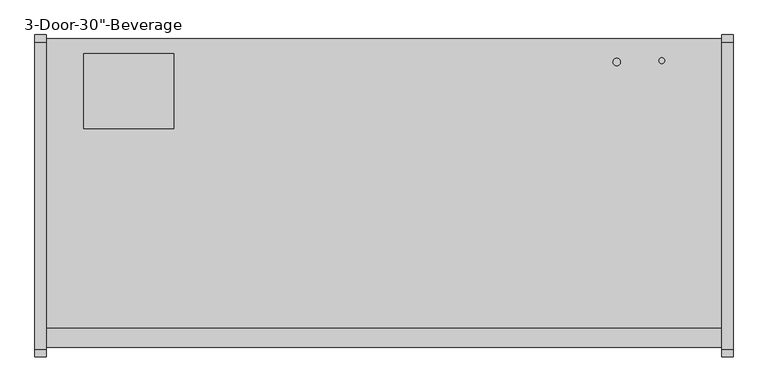
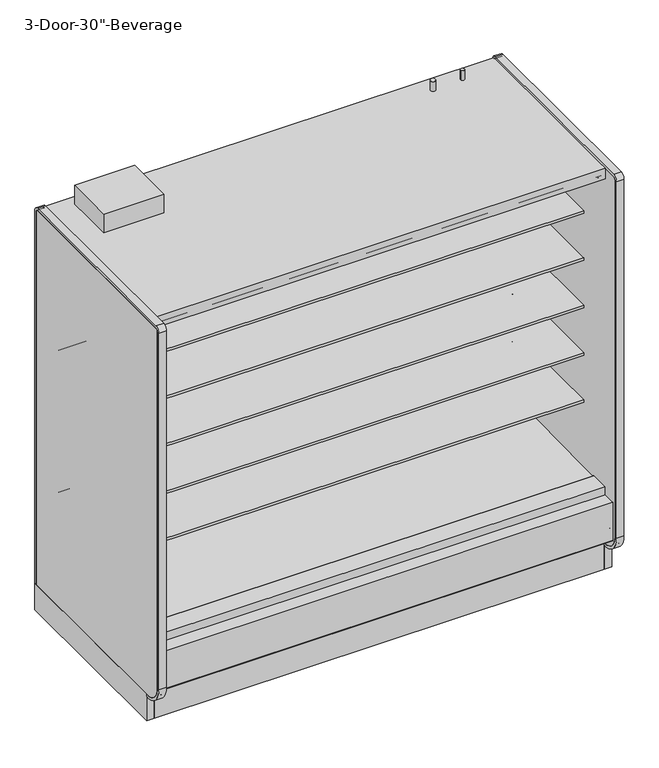
"""IFC4 building model written with IfcOpenShell, lengths in millimetres: proxy geometry."""

from ifc_helpers import new_model, si_unit, point, frame, frame_2d, origin, origin_with_axes, place, context, project, spatial, polyline, circle_curve, trimmed, segment, composite_curve, outline, extrude, source, transform, mapped, element, save
from ifc_brep_helpers import plane_surface, cylinder_surface, revolved_surface, advanced_brep


def proxy_6446f432(model_context):
    return source(origin(), model_context, "Body", "SolidModel", [
        extrude(outline(polyline([(-1318.106026, 207.2507391), (-1305.4059832, 196.5941379), (-1305.4059832, 0.4239338), (-1318.106026, 0.4239338), (-1318.106026, 207.2507391)])), frame((0.0, 0.0, 0.0), z_axis=(1.0, 0.0, 0.0), x_axis=(0.0, 1.0, 0.0)), (0.0, 0.0, 1.0), 2286.0),
        extrude(outline(polyline([(0.0, -76.2), (0.0, 0.0), (304.8, 0.0), (304.8, -76.2), (0.0, -76.2)])), frame((304.8, -1257.8018226, 2069.9402149), z_axis=(0.0, 0.07985742909739812, 0.9968062956351922), x_axis=(-1.0, 0.0, 0.0)), (0.0, 0.0, 1.0), 12.7),
        extrude(outline(composite_curve([segment(polyline([(-1139.652044, 788.1304004), (-1139.652044, 801.6241504), (-453.852044, 801.6241504), (-453.852044, 700.8188557), (-465.2157046, 700.5975577)]), True, "CONTINUOUS"), segment(trimmed(circle_curve(frame_2d((-465.7036503, 725.6535856)), 25.0607786), [point((-465.2157046, 700.5975577))], [point((-481.6109729, 706.2886764))], False, "CARTESIAN"), True, "CONTINUOUS"), segment(polyline([(-481.6109729, 706.2886764), (-519.8326735, 737.3719449)]), True, "CONTINUOUS"), segment(trimmed(circle_curve(frame_2d((-559.8971466, 688.1064601)), 63.5), [point((-519.8326735, 737.3719449))], [point((-553.0441372, 751.2355839))], True, "CARTESIAN"), True, "CONTINUOUS"), segment(polyline([(-553.0441372, 751.2355839), (-968.6518104, 783.846074), (-968.6518104, 788.1304004), (-1139.652044, 788.1304004)]), True, "CONTINUOUS")], self_intersect=False)), frame((0.0, 0.0, 0.0), z_axis=(1.0, 0.0, 0.0), x_axis=(0.0, 1.0, 0.0)), (0.0, 0.0, 1.0), 2286.0),
        extrude(outline(composite_curve([segment(polyline([(-1139.652044, 1042.1304004), (-1139.652044, 1055.6241504), (-453.852044, 1055.6241504), (-453.852044, 954.8188557), (-465.2157046, 954.5975577)]), True, "CONTINUOUS"), segment(trimmed(circle_curve(frame_2d((-465.7036503, 979.6535856)), 25.0607786), [point((-465.2157046, 954.5975577))], [point((-481.6109729, 960.2886764))], False, "CARTESIAN"), True, "CONTINUOUS"), segment(polyline([(-481.6109729, 960.2886764), (-519.8326735, 991.3719449)]), True, "CONTINUOUS"), segment(trimmed(circle_curve(frame_2d((-559.8971466, 942.1064601)), 63.5), [point((-519.8326735, 991.3719449))], [point((-553.0441372, 1005.2355839))], True, "CARTESIAN"), True, "CONTINUOUS"), segment(polyline([(-553.0441372, 1005.2355839), (-968.6518104, 1037.846074), (-968.6518104, 1042.1304004), (-1139.652044, 1042.1304004)]), True, "CONTINUOUS")], self_intersect=False)), frame((0.0, 0.0, 0.0), z_axis=(1.0, 0.0, 0.0), x_axis=(0.0, 1.0, 0.0)), (0.0, 0.0, 1.0), 2286.0),
        extrude(outline(composite_curve([segment(polyline([(-1139.652044, 1296.1304004), (-1139.652044, 1309.6241504), (-453.852044, 1309.6241504), (-453.852044, 1208.8188557), (-465.2157046, 1208.5975577)]), True, "CONTINUOUS"), segment(trimmed(circle_curve(frame_2d((-465.7036503, 1233.6535856)), 25.0607786), [point((-465.2157046, 1208.5975577))], [point((-481.6109729, 1214.2886764))], False, "CARTESIAN"), True, "CONTINUOUS"), segment(polyline([(-481.6109729, 1214.2886764), (-519.8326735, 1245.3719449)]), True, "CONTINUOUS"), segment(trimmed(circle_curve(frame_2d((-559.8971466, 1196.1064601)), 63.5), [point((-519.8326735, 1245.3719449))], [point((-553.0441372, 1259.2355839))], True, "CARTESIAN"), True, "CONTINUOUS"), segment(polyline([(-553.0441372, 1259.2355839), (-968.6518104, 1291.846074), (-968.6518104, 1296.1304004), (-1139.652044, 1296.1304004)]), True, "CONTINUOUS")], self_intersect=False)), frame((0.0, 0.0, 0.0), z_axis=(1.0, 0.0, 0.0), x_axis=(0.0, 1.0, 0.0)), (0.0, 0.0, 1.0), 2286.0),
        extrude(outline(composite_curve([segment(polyline([(-1139.652044, 1550.1304004), (-1139.652044, 1563.6241504), (-453.852044, 1563.6241504), (-453.852044, 1462.8188557), (-465.2157046, 1462.5975577)]), True, "CONTINUOUS"), segment(trimmed(circle_curve(frame_2d((-465.7036503, 1487.6535856)), 25.0607786), [point((-465.2157046, 1462.5975577))], [point((-481.6109729, 1468.2886764))], False, "CARTESIAN"), True, "CONTINUOUS"), segment(polyline([(-481.6109729, 1468.2886764), (-519.8326735, 1499.3719449)]), True, "CONTINUOUS"), segment(trimmed(circle_curve(frame_2d((-559.8971466, 1450.1064601)), 63.5), [point((-519.8326735, 1499.3719449))], [point((-553.0441372, 1513.2355839))], True, "CARTESIAN"), True, "CONTINUOUS"), segment(polyline([(-553.0441372, 1513.2355839), (-968.6518104, 1545.846074), (-968.6518104, 1550.1304004), (-1139.652044, 1550.1304004)]), True, "CONTINUOUS")], self_intersect=False)), frame((0.0, 0.0, 0.0), z_axis=(1.0, 0.0, 0.0), x_axis=(0.0, 1.0, 0.0)), (0.0, 0.0, 1.0), 2286.0),
        extrude(outline(composite_curve([segment(polyline([(-1179.8089716, 2076.7249354), (-1179.8089716, 2078.925392), (-1258.0451873, 2084.3962012), (-1258.0451873, 2075.9223079)]), True, "CONTINUOUS"), segment(trimmed(circle_curve(frame_2d((-1260.5851873, 2075.9223079)), 2.54), [point((-1258.0451873, 2075.9223079))], [point((-1260.5851873, 2073.3823079))], False, "CARTESIAN"), True, "CONTINUOUS"), segment(polyline([(-1260.5851873, 2073.3823079), (-1269.8053873, 2073.3823079)]), True, "CONTINUOUS"), segment(trimmed(circle_curve(frame_2d((-1269.8053873, 2075.9223079)), 2.54), [point((-1269.8053873, 2073.3823079))], [point((-1272.3453873, 2075.9223079))], False, "CARTESIAN"), True, "CONTINUOUS"), segment(polyline([(-1272.3453873, 2075.9223079), (-1272.3453873, 2092.9469554)]), True, "CONTINUOUS"), segment(trimmed(circle_curve(frame_2d((-1274.8853873, 2092.9469554)), 2.54), [point((-1272.3453873, 2092.9469554))], [point((-1274.8853873, 2095.4869554))], True, "CARTESIAN"), True, "CONTINUOUS"), segment(polyline([(-1274.8853873, 2095.4869554), (-1288.8553873, 2095.4869554)]), True, "CONTINUOUS"), segment(trimmed(circle_curve(frame_2d((-1288.8553873, 2098.0269554)), 2.54), [point((-1288.8553873, 2095.4869554))], [point((-1291.3953873, 2098.0269554))], False, "CARTESIAN"), True, "CONTINUOUS"), segment(polyline([(-1291.3953873, 2098.0269554), (-1291.3953873, 2102.7701079), (-402.3474764, 2102.7701079), (-402.3474764, 418.2554484), (-453.852044, 418.2554484), (-453.852044, 2076.7249354), (-1179.8089716, 2076.7249354)]), True, "CONTINUOUS")], self_intersect=False)), frame((0.0, 0.0, 0.0), z_axis=(1.0, 0.0, 0.0), x_axis=(0.0, 1.0, 0.0)), (0.0, 0.0, 1.0), 2286.0),
        advanced_brep(
        [(2286.0, -1318.106026, 204.9450868), (2286.0, -1318.106026, 0.0), (2286.0, -1156.1809832, 0.0), (2286.0, -1156.1809832, 130.5306), (2286.0, -1226.6745247, 130.5306), (2286.0, -1377.1737273, 256.8144254), (2286.0, -1377.1737273, 391.9982), (2286.0, -1326.8776974, 391.9982), (2286.0, -1326.8776974, 404.6728), (2286.0, -1393.9631273, 404.6728), (2286.0, -1393.9631273, 201.3982889), (2286.0, -1384.4389382, 195.8985595), (2286.0, -1339.6997646, 221.7199387), (0.0, -1318.106026, 204.9450868), (0.0, -1339.6997646, 221.7199387), (0.0, -1384.4389382, 195.8985595), (0.0, -1393.9631273, 201.3982889), (0.0, -1393.9631273, 404.6728), (0.0, -1326.8776974, 404.6728), (0.0, -1326.8776974, 391.9982), (0.0, -1377.1737273, 391.9982), (0.0, -1377.1737273, 256.8144254), (0.0, -1226.6745247, 130.5306), (0.0, -1156.1809832, 130.5306), (0.0, -1156.1809832, 0.0), (0.0, -1318.106026, 0.0), (677.9753763, -1301.1164467, 0.0), (677.9753763, -1203.5310315, 0.0), (363.1798722, -1203.5310315, 0.0), (363.1798722, -1301.1164467, 0.0), (677.9753763, -1301.1164467, 50.8), (677.9753763, -1203.5310315, 50.8), (363.1798722, -1203.5310315, 50.8), (363.1798722, -1301.1164467, 50.8)],
        [
            (0, 1),
            (1, 2),
            (2, 3),
            (3, 4),
            (4, 5),
            (5, 6),
            (6, 7),
            (7, 8),
            (8, 9),
            (9, 10),
            (10, 11, circle_curve(frame((2286.0, -1387.6131273, 201.3982889), z_axis=(1.0, 0.0, 0.0), x_axis=(0.0, 1.0, 0.0)), 6.35)),
            (11, 12),
            (12, 0),
            (13, 14),
            (14, 15),
            (15, 16, circle_curve(frame((0.0, -1387.6131273, 201.3982889), z_axis=(-1.0, 0.0, 0.0), x_axis=(0.0, 1.0, 0.0)), 6.35)),
            (16, 17),
            (17, 18),
            (18, 19),
            (19, 20),
            (20, 21),
            (21, 22),
            (22, 23),
            (23, 24),
            (24, 25),
            (25, 13),
            (0, 13),
            (25, 1),
            (24, 2),
            (26, 27),
            (27, 28),
            (28, 29),
            (29, 26),
            (23, 3),
            (22, 4),
            (21, 5),
            (20, 6),
            (19, 7),
            (18, 8),
            (17, 9),
            (16, 10),
            (15, 11),
            (14, 12),
            (26, 30),
            (30, 31),
            (31, 27),
            (28, 32),
            (32, 33),
            (33, 29),
            (31, 32),
            (30, 33),
        ],
        [
            plane_surface(frame((2286.0, -1318.106026, 0.0), z_axis=(1.0, 0.0, 0.0), x_axis=(0.0, 0.0, -1.0))),
            plane_surface(frame((0.0, -1318.106026, 0.0), z_axis=(-1.0, 0.0, 0.0), x_axis=(0.0, 0.0, 1.0))),
            plane_surface(frame((2286.0, -1318.106026, 204.9450868), z_axis=(0.0, -1.0, 0.0), x_axis=(-1.0, 0.0, 0.0))),
            plane_surface(frame((2286.0, -1318.106026, 0.0), z_axis=(0.0, 0.0, -1.0), x_axis=(-1.0, 0.0, 0.0))),
            plane_surface(frame((2286.0, -1156.1809832, 0.0), z_axis=(0.0, 1.0, 0.0), x_axis=(-1.0, 0.0, 0.0))),
            plane_surface(frame((2286.0, -1156.1809832, 130.5306), z_axis=(0.0, 0.0, 1.0), x_axis=(-1.0, 0.0, 0.0))),
            plane_surface(frame((2286.0, -1226.6745247, 130.5306), z_axis=(0.0, 0.6427876096877188, 0.7660444431179884), x_axis=(-1.0, 0.0, 0.0))),
            plane_surface(frame((2286.0, -1377.1737273, 256.8144254), z_axis=(0.0, 1.0, 0.0), x_axis=(-1.0, 0.0, 0.0))),
            plane_surface(frame((2286.0, -1377.1737273, 391.9982), z_axis=(0.0, 0.0, -1.0), x_axis=(-1.0, 0.0, 0.0))),
            plane_surface(frame((2286.0, -1326.8776974, 391.9982), z_axis=(0.0, 1.0, 0.0), x_axis=(-1.0, 0.0, 0.0))),
            plane_surface(frame((2286.0, -1326.8776974, 404.6728), z_axis=(0.0, 0.0, 1.0), x_axis=(-1.0, 0.0, 0.0))),
            plane_surface(frame((2286.0, -1393.9631273, 404.6728), z_axis=(0.0, -1.0, 0.0), x_axis=(-1.0, 0.0, 0.0))),
            cylinder_surface(frame((0.0, -1387.6131273, 201.3982889), z_axis=(1.0, 0.0, 0.0), x_axis=(0.0, 1.0, 0.0)), 6.35),
            plane_surface(frame((2286.0, -1384.4389382, 195.8985595), z_axis=(0.0, 0.4998723022013517, -0.8660991175910068), x_axis=(-1.0, 0.0, 0.0))),
            plane_surface(frame((2286.0, -1339.6997646, 221.7199387), z_axis=(0.0, -0.6134784338805639, -0.7897114733644501), x_axis=(-1.0, 0.0, 0.0))),
            plane_surface(frame((677.9753763, -1207.3278954, 0.0), z_axis=(-1.0, 0.0, 0.0), x_axis=(0.0, 1.0, 0.0))),
            plane_surface(frame((363.1798722, -1207.3278954, 0.0), z_axis=(1.0, 0.0, 0.0), x_axis=(0.0, -1.0, 0.0))),
            plane_surface(frame((677.9753763, -1203.5310315, 0.0), z_axis=(0.0, -1.0, 0.0), x_axis=(-1.0, 0.0, 0.0))),
            plane_surface(frame((677.9753763, -1203.5310315, 50.8), z_axis=(0.0, 0.0, -1.0), x_axis=(-1.0, 0.0, 0.0))),
            plane_surface(frame((677.9753763, -1301.1164467, 50.8), z_axis=(0.0, 1.0, 0.0), x_axis=(-1.0, 0.0, 0.0))),
        ],
        [
            (0, [[1, 2, 3, 4, 5, 6, 7, 8, 9, 10, 11, 12, 13]]),
            (1, [[14, 15, 16, 17, 18, 19, 20, 21, 22, 23, 24, 25, 26]]),
            (2, [[-1, 27, -26, 28]]),
            (3, [[-2, -28, -25, 29], [30, 31, 32, 33]]),
            (4, [[-3, -29, -24, 34]]),
            (5, [[-4, -34, -23, 35]]),
            (6, [[-5, -35, -22, 36]]),
            (7, [[-6, -36, -21, 37]]),
            (8, [[-7, -37, -20, 38]]),
            (9, [[-8, -38, -19, 39]]),
            (10, [[-9, -39, -18, 40]]),
            (11, [[-10, -40, -17, 41]]),
            (12, [[-11, -41, -16, 42]]),
            (13, [[-12, -42, -15, 43]]),
            (14, [[-13, -43, -14, -27]]),
            (15, [[44, 45, 46, -30]]),
            (16, [[47, 48, 49, -32]]),
            (17, [[-46, 50, -47, -31]]),
            (18, [[-45, 51, -48, -50]]),
            (19, [[-44, -33, -49, -51]]),
        ],
    ),
        extrude(outline(composite_curve([segment(trimmed(circle_curve(frame_2d((354.0125, 2209.8)), 12.7), [point((341.3125, 2209.8))], [point((366.7125, 2209.8))], False, "CARTESIAN"), True, "CONTINUOUS"), segment(trimmed(circle_curve(frame_2d((354.0125, 2209.8)), 12.7), [point((366.7125, 2209.8))], [point((341.3125, 2209.8))], False, "CARTESIAN"), True, "CONTINUOUS")], self_intersect=False)), frame((0.0, -399.8071273, 0.0), z_axis=(0.0, 1.0, 0.0), x_axis=(0.0, 0.0, 1.0)), (0.0, 0.0, 1.0), 50.8),
        extrude(outline(composite_curve([segment(trimmed(circle_curve(frame_2d((354.0125, 2159.0)), 9.525), [point((344.4875, 2159.0))], [point((363.5375, 2159.0))], False, "CARTESIAN"), True, "CONTINUOUS"), segment(trimmed(circle_curve(frame_2d((354.0125, 2159.0)), 9.525), [point((363.5375, 2159.0))], [point((344.4875, 2159.0))], False, "CARTESIAN"), True, "CONTINUOUS")], self_intersect=False)), frame((0.0, -399.8071273, 0.0), z_axis=(0.0, 1.0, 0.0), x_axis=(0.0, 0.0, 1.0)), (0.0, 0.0, 1.0), 50.8),
        advanced_brep(
        [(2286.0, -349.0071273, 130.5306), (2286.0, -349.0071273, 2159.0692079), (2286.0, -1328.759197, 2159.0692079), (2286.0, -1328.759197, 2102.7701079), (2286.0, -402.3474764, 2102.7701079), (2286.0, -402.3474764, 358.6596808), (2286.0, -549.3331942, 211.7249958), (2286.0, -991.2928374, 196.2548056), (2286.0, -1033.515372, 165.5831237), (2286.0, -1035.4689267, 165.5149041), (2286.0, -1048.6488905, 157.9054484), (2286.0, -1108.9738905, 157.9054484), (2286.0, -1117.2097949, 162.6604501), (2286.0, -1119.3438463, 162.5859274), (2286.0, -1169.010644, 190.034038), (2286.0, -1325.2901974, 342.4428), (2286.0, -1325.2901974, 391.9982), (2286.0, -1377.1737273, 391.9982), (2286.0, -1377.1737273, 256.8144254), (2286.0, -1226.6745247, 130.5306), (0.0, -349.0071273, 130.5306), (0.0, -1226.6745247, 130.5306), (0.0, -1377.1737273, 256.8144254), (0.0, -1377.1737273, 391.9982), (0.0, -1325.2901974, 391.9982), (0.0, -1325.2901974, 342.4428), (0.0, -1169.010644, 190.034038), (0.0, -1119.3438463, 162.5859274), (0.0, -1117.2097949, 162.6604501), (0.0, -1108.9738905, 157.9054484), (0.0, -1048.6488905, 157.9054484), (0.0, -1035.4689267, 165.5149041), (0.0, -1033.515372, 165.5831237), (0.0, -991.2928374, 196.2548056), (0.0, -549.3331942, 211.7249958), (0.0, -402.3474764, 358.6596808), (0.0, -402.3474764, 2102.7701079), (0.0, -1328.759197, 2102.7701079), (0.0, -1328.759197, 2159.0692079), (0.0, -349.0071273, 2159.0692079), (2184.4, -349.0071273, 303.2125), (2184.4, -349.0071273, 404.8125), (2184.4, -399.8071273, 404.8125), (2184.4, -399.8071273, 303.2125)],
        [
            (0, 1),
            (1, 2),
            (2, 3),
            (3, 4),
            (4, 5),
            (5, 6, circle_curve(frame((2286.0, -554.6779329, 364.0573175), z_axis=(-1.0, 0.0, 0.0), x_axis=(0.0, 1.0, 0.0)), 152.4260557)),
            (6, 7),
            (7, 8),
            (8, 9),
            (9, 10),
            (10, 11),
            (11, 12),
            (12, 13),
            (13, 14),
            (14, 15, circle_curve(frame((2286.0, -1174.2931139, 340.9461144), z_axis=(-1.0, 0.0, 0.0), x_axis=(0.0, 1.0, 0.0)), 151.0045009)),
            (15, 16),
            (16, 17),
            (17, 18),
            (18, 19),
            (19, 0),
            (20, 21),
            (21, 22),
            (22, 23),
            (23, 24),
            (24, 25),
            (25, 26, circle_curve(frame((0.0, -1174.2931139, 340.9461144), z_axis=(1.0, 0.0, 0.0), x_axis=(0.0, 1.0, 0.0)), 151.0045009)),
            (26, 27),
            (27, 28),
            (28, 29),
            (29, 30),
            (30, 31),
            (31, 32),
            (32, 33),
            (33, 34),
            (34, 35, circle_curve(frame((0.0, -554.6779329, 364.0573175), z_axis=(1.0, 0.0, 0.0), x_axis=(0.0, 1.0, 0.0)), 152.4260557)),
            (35, 36),
            (36, 37),
            (37, 38),
            (38, 39),
            (39, 20),
            (0, 20),
            (39, 1),
            (40, 41, circle_curve(frame((2184.4, -349.0071273, 354.0125), z_axis=(0.0, -1.0, 0.0), x_axis=(0.0, 0.0, -1.0)), 50.8)),
            (41, 40, circle_curve(frame((2184.4, -349.0071273, 354.0125), z_axis=(0.0, -1.0, 0.0), x_axis=(0.0, 0.0, -1.0)), 50.8)),
            (38, 2),
            (37, 3),
            (36, 4),
            (6, 34),
            (33, 7),
            (32, 8),
            (31, 9),
            (30, 10),
            (29, 11),
            (28, 12),
            (27, 13),
            (26, 14),
            (25, 15),
            (24, 16),
            (23, 17),
            (22, 18),
            (21, 19),
            (35, 5),
            (42, 43, circle_curve(frame((2184.4, -399.8071273, 354.0125), z_axis=(0.0, 1.0, 0.0), x_axis=(0.0, 0.0, -1.0)), 50.8)),
            (43, 42, circle_curve(frame((2184.4, -399.8071273, 354.0125), z_axis=(0.0, 1.0, 0.0), x_axis=(0.0, 0.0, -1.0)), 50.8)),
            (42, 41),
            (40, 43),
        ],
        [
            plane_surface(frame((2286.0, -349.0071273, 2154.3067079), z_axis=(1.0, 0.0, 0.0), x_axis=(0.0, 0.0, 1.0))),
            plane_surface(frame((0.0, -349.0071273, 2154.3067079), z_axis=(-1.0, 0.0, 0.0), x_axis=(0.0, 0.0, -1.0))),
            plane_surface(frame((2286.0, -349.0071273, 130.5306), z_axis=(0.0, 1.0, 0.0), x_axis=(-1.0, 0.0, 0.0))),
            plane_surface(frame((2286.0, -349.0071273, 2159.0692079), z_axis=(0.0, 0.0, 1.0), x_axis=(-1.0, 0.0, 0.0))),
            plane_surface(frame((2286.0, -1328.759197, 2159.0692079), z_axis=(0.0, -1.0, 0.0), x_axis=(-1.0, 0.0, 0.0))),
            plane_surface(frame((2286.0, -1328.759197, 2102.7701079), z_axis=(0.0, 0.0, -1.0), x_axis=(-1.0, 0.0, 0.0))),
            plane_surface(frame((2286.0, -549.3331942, 211.7249958), z_axis=(0.0, -0.03498220179415916, 0.9993879354673203), x_axis=(-1.0, 0.0, 0.0))),
            plane_surface(frame((2286.0, -991.2928374, 196.2548056), z_axis=(0.0, -0.5877252382161511, 0.8090605937528836), x_axis=(-1.0, 0.0, 0.0))),
            plane_surface(frame((2286.0, -1033.515372, 165.5831237), z_axis=(0.0, -0.034899496717989933, 0.9993908270185549), x_axis=(-1.0, 0.0, 0.0))),
            plane_surface(frame((2286.0, -1035.4689267, 165.5149041), z_axis=(0.0, -0.5000000000128472, 0.8660254037770214), x_axis=(-1.0, 0.0, 0.0))),
            plane_surface(frame((2286.0, -1048.6488905, 157.9054484), z_axis=(0.0, 0.0, 1.0), x_axis=(-1.0, 0.0, 0.0))),
            plane_surface(frame((2286.0, -1108.9738905, 157.9054484), z_axis=(0.0, 0.49999999998692984, 0.8660254037919848), x_axis=(-1.0, 0.0, 0.0))),
            plane_surface(frame((2286.0, -1117.2097949, 162.6604501), z_axis=(0.0, -0.03489949671806632, 0.9993908270185522), x_axis=(-1.0, 0.0, 0.0))),
            plane_surface(frame((2286.0, -1119.3438463, 162.5859274), z_axis=(0.0, 0.483695152932422, 0.8752365389023021), x_axis=(-1.0, 0.0, 0.0))),
            revolved_surface(polyline([(0.0, -1023.2886129999999, 340.9461144), (2286.0, -1023.2886129999999, 340.9461144)]), (0.0, -1174.2931139, 340.9461144), (-1.0, 0.0, 0.0)),
            plane_surface(frame((2286.0, -1325.2901974, 342.4428), z_axis=(0.0, 1.0, 0.0), x_axis=(-1.0, 0.0, 0.0))),
            plane_surface(frame((2286.0, -1325.2901974, 391.9982), z_axis=(0.0, 0.0, 1.0), x_axis=(-1.0, 0.0, 0.0))),
            plane_surface(frame((2286.0, -1377.1737273, 391.9982), z_axis=(0.0, -1.0, 0.0), x_axis=(-1.0, 0.0, 0.0))),
            plane_surface(frame((2286.0, -1377.1737273, 256.8144254), z_axis=(0.0, -0.6427876096877191, -0.7660444431179881), x_axis=(-1.0, 0.0, 0.0))),
            plane_surface(frame((2286.0, -1226.6745247, 130.5306), z_axis=(0.0, 0.0, -1.0), x_axis=(-1.0, 0.0, 0.0))),
            plane_surface(frame((2286.0, -402.3474764, 2102.7701079), z_axis=(0.0, -1.0, 0.0), x_axis=(-1.0, 0.0, 0.0))),
            revolved_surface(polyline([(0.0, -402.25187719999997, 364.0573175), (2286.0, -402.25187719999997, 364.0573175)]), (0.0, -554.6779329, 364.0573175), (-1.0, 0.0, 0.0)),
            plane_surface(frame((2184.4, -399.8071273, 303.2125), z_axis=(0.0, 1.0, 0.0), x_axis=(1.0, 0.0, 0.0))),
            revolved_surface(polyline([(2184.4, -349.0071273, 303.2125), (2184.4, -399.8071273, 303.2125)]), (2184.4, -399.8071273, 354.0125), (0.0, 1.0, 0.0)),
        ],
        [
            (0, [[1, 2, 3, 4, 5, 6, 7, 8, 9, 10, 11, 12, 13, 14, 15, 16, 17, 18, 19, 20]]),
            (1, [[21, 22, 23, 24, 25, 26, 27, 28, 29, 30, 31, 32, 33, 34, 35, 36, 37, 38, 39, 40]]),
            (2, [[-1, 41, -40, 42], [43, 44]]),
            (3, [[-2, -42, -39, 45]]),
            (4, [[-3, -45, -38, 46]]),
            (5, [[-4, -46, -37, 47]]),
            (6, [[-7, 48, -34, 49]]),
            (7, [[-8, -49, -33, 50]]),
            (8, [[-9, -50, -32, 51]]),
            (9, [[-10, -51, -31, 52]]),
            (10, [[-11, -52, -30, 53]]),
            (11, [[-12, -53, -29, 54]]),
            (12, [[-13, -54, -28, 55]]),
            (13, [[-14, -55, -27, 56]]),
            (14, [[-15, -56, -26, 57]]),
            (15, [[-16, -57, -25, 58]]),
            (16, [[-17, -58, -24, 59]]),
            (17, [[-18, -59, -23, 60]]),
            (18, [[-19, -60, -22, 61]]),
            (19, [[-20, -61, -21, -41]]),
            (20, [[-5, -47, -36, 62]]),
            (21, [[-6, -62, -35, -48]]),
            (22, [[63, 64]]),
            (23, [[-63, 65, -43, 66]]),
            (23, [[-64, -66, -44, -65]]),
        ],
    ),
        advanced_brep(
        [(2286.0, -349.0071273, 0.0), (2286.0, -349.0071273, 130.5306), (2286.0, -1156.1809832, 130.5306), (2286.0, -1156.1809832, 0.0), (2286.0, -1108.6576273, 0.0), (2286.0, -1108.6576273, 74.8810382), (2286.0, -394.2191273, 74.8810382), (2286.0, -394.2191273, 0.0), (0.0, -349.0071273, 0.0), (0.0, -394.2191273, 0.0), (0.0, -394.2191273, 74.8810382), (0.0, -1108.6576273, 74.8810382), (0.0, -1108.6576273, 0.0), (0.0, -1156.1809832, 0.0), (0.0, -1156.1809832, 130.5306), (0.0, -349.0071273, 130.5306), (1106.9092567, -1108.6576273, 74.8810382), (1106.9092567, -1108.6576273, 127.0), (1179.0907433, -1108.6576273, 127.0), (1179.0907433, -1108.6576273, 74.8810382), (1277.0570331, -1108.6576273, 74.8810382), (1277.0570331, -1108.6576273, 127.0), (1355.0179669, -1108.6576273, 127.0), (1355.0179669, -1108.6576273, 74.8810382)],
        [
            (0, 1),
            (1, 2),
            (2, 3),
            (3, 4),
            (4, 5),
            (5, 6),
            (6, 7),
            (7, 0),
            (8, 9),
            (9, 10),
            (10, 11),
            (11, 12),
            (12, 13),
            (13, 14),
            (14, 15),
            (15, 8),
            (0, 8),
            (15, 1),
            (4, 12),
            (11, 16),
            (16, 17),
            (17, 18),
            (18, 19),
            (19, 20),
            (20, 21),
            (21, 22),
            (22, 23),
            (23, 5),
            (23, 20, circle_curve(frame((1316.0375, -1076.0821273, 74.8810382), z_axis=(0.0, 0.0, 1.0), x_axis=(1.0, 0.0, 0.0)), 50.8)),
            (19, 16, circle_curve(frame((1143.0, -1072.9071273, 74.8810382), z_axis=(0.0, 0.0, 1.0), x_axis=(1.0, 0.0, 0.0)), 50.8)),
            (10, 6),
            (9, 7),
            (17, 18, circle_curve(frame((1143.0, -1072.9071273, 127.0), z_axis=(0.0, 0.0, -1.0), x_axis=(1.0, 0.0, 0.0)), 50.8)),
            (21, 22, circle_curve(frame((1316.0375, -1076.0821273, 127.0), z_axis=(0.0, 0.0, -1.0), x_axis=(1.0, 0.0, 0.0)), 50.8)),
            (14, 2),
            (13, 3),
        ],
        [
            plane_surface(frame((2286.0, -349.0071273, 2438.4), z_axis=(1.0, 0.0, 0.0), x_axis=(0.0, 0.0, 1.0))),
            plane_surface(frame((0.0, -349.0071273, 2438.4), z_axis=(-1.0, 0.0, 0.0), x_axis=(0.0, 0.0, -1.0))),
            plane_surface(frame((2286.0, -349.0071273, 0.0), z_axis=(0.0, 1.0, 0.0), x_axis=(-1.0, 0.0, 0.0))),
            plane_surface(frame((2286.0, -1108.6576273, 0.0), z_axis=(0.0, 1.0, 0.0), x_axis=(-1.0, 0.0, 0.0))),
            plane_surface(frame((2286.0, -1108.6576273, 74.8810382), z_axis=(0.0, 0.0, -1.0), x_axis=(-1.0, 0.0, 0.0))),
            plane_surface(frame((2286.0, -394.2191273, 74.8810382), z_axis=(0.0, -1.0, 0.0), x_axis=(-1.0, 0.0, 0.0))),
            plane_surface(frame((2286.0, -394.2191273, 0.0), z_axis=(0.0, 0.0, -1.0), x_axis=(-1.0, 0.0, 0.0))),
            plane_surface(frame((1179.0907433, -1108.6576273, 127.0), z_axis=(0.0, 0.0, -1.0), x_axis=(1.0, 0.0, 0.0))),
            revolved_surface(polyline([(1193.8, -1072.9071273, 127.0), (1193.8, -1072.9071273, 74.8810382)]), (1143.0, -1072.9071273, 0.0), (0.0, 0.0, 1.0)),
            plane_surface(frame((1355.0179669, -1108.6576273, 127.0), z_axis=(0.0, 0.0, -1.0), x_axis=(1.0, 0.0, 0.0))),
            revolved_surface(polyline([(1366.8374999999999, -1076.0821273, 127.0), (1366.8374999999999, -1076.0821273, 74.8810382)]), (1316.0375, -1076.0821273, 0.0), (0.0, 0.0, 1.0)),
            plane_surface(frame((2286.0, -349.0071273, 130.5306), z_axis=(0.0, 0.0, 1.0), x_axis=(-1.0, 0.0, 0.0))),
            plane_surface(frame((2286.0, -1156.1809832, 130.5306), z_axis=(0.0, -1.0, 0.0), x_axis=(-1.0, 0.0, 0.0))),
            plane_surface(frame((2286.0, -1156.1809832, 0.0), z_axis=(0.0, 0.0, -1.0), x_axis=(-1.0, 0.0, 0.0))),
        ],
        [
            (0, [[1, 2, 3, 4, 5, 6, 7, 8]]),
            (1, [[9, 10, 11, 12, 13, 14, 15, 16]]),
            (2, [[-1, 17, -16, 18]]),
            (3, [[-5, 19, -12, 20, 21, 22, 23, 24, 25, 26, 27, 28]]),
            (4, [[-6, -28, 29, -24, 30, -20, -11, 31]]),
            (5, [[-7, -31, -10, 32]]),
            (6, [[-8, -32, -9, -17]]),
            (7, [[33, -22]]),
            (8, [[-33, -21, -30, -23]]),
            (9, [[34, -26]]),
            (10, [[-34, -25, -29, -27]]),
            (11, [[-2, -18, -15, 35]]),
            (12, [[-3, -35, -14, 36]]),
            (13, [[-19, -4, -36, -13]]),
        ],
    ),
        extrude(outline(composite_curve([segment(polyline([(-1139.652044, 1803.3473276), (-1139.652044, 1816.8410776), (-453.852044, 1816.8410776), (-453.852044, 1716.035783), (-465.2157046, 1715.814485)]), True, "CONTINUOUS"), segment(trimmed(circle_curve(frame_2d((-465.7036503, 1740.8705128)), 25.0607786), [point((-465.2157046, 1715.814485))], [point((-481.6109729, 1721.5056036))], False, "CARTESIAN"), True, "CONTINUOUS"), segment(polyline([(-481.6109729, 1721.5056036), (-519.8326735, 1752.5888722)]), True, "CONTINUOUS"), segment(trimmed(circle_curve(frame_2d((-559.8971466, 1703.3233874)), 63.5), [point((-519.8326735, 1752.5888722))], [point((-553.0441372, 1766.4525111))], True, "CARTESIAN"), True, "CONTINUOUS"), segment(polyline([(-553.0441372, 1766.4525111), (-968.6518104, 1799.0630012), (-968.6518104, 1803.3473276), (-1139.652044, 1803.3473276)]), True, "CONTINUOUS")], self_intersect=False)), frame((0.0, 0.0, 0.0), z_axis=(1.0, 0.0, 0.0), x_axis=(0.0, 1.0, 0.0)), (0.0, 0.0, 1.0), 2286.0),
        extrude(outline(polyline([(431.8, -399.8071273), (431.8, -653.8071273), (127.0, -653.8071273), (127.0, -399.8071273), (431.8, -399.8071273)])), frame((0.0, 0.0, 2159.6880358), z_axis=(0.0, 0.0, 1.0), x_axis=(1.0, 0.0, 0.0)), (0.0, 0.0, 1.0), 100.8085772),
        extrude(outline(composite_curve([segment(polyline([(-453.852044, 452.2592331), (-453.852044, 418.2554484), (-402.3474764, 418.2554484), (-402.3474764, 358.6596808)]), True, "CONTINUOUS"), segment(trimmed(circle_curve(frame_2d((-554.6779329, 364.0573175)), 152.4260557), [point((-402.3474764, 358.6596808))], [point((-549.3331942, 211.7249958))], False, "CARTESIAN"), True, "CONTINUOUS"), segment(polyline([(-549.3331942, 211.7249958), (-991.2928374, 196.2548056), (-1033.515372, 165.5831237), (-1035.4689267, 165.5149041), (-1048.6488905, 157.9054484), (-1108.9738905, 157.9054484), (-1117.2097949, 162.6604501), (-1119.3438463, 162.5859274), (-1169.010644, 190.034038)]), True, "CONTINUOUS"), segment(trimmed(circle_curve(frame_2d((-1174.2931139, 340.9461144)), 151.0045009), [point((-1169.010644, 190.034038))], [point((-1325.2901974, 342.4428))], False, "CARTESIAN"), True, "CONTINUOUS"), segment(polyline([(-1325.2901974, 342.4428), (-1325.2901974, 391.9982), (-1326.8776974, 391.9982), (-1326.8776974, 447.5353), (-1227.4661273, 447.5353)]), True, "CONTINUOUS"), segment(trimmed(circle_curve(frame_2d((-1227.4661273, 445.4779)), 2.0574), [point((-1227.4661273, 447.5353))], [point((-1225.4087273, 445.4779))], False, "CARTESIAN"), True, "CONTINUOUS"), segment(polyline([(-1225.4087273, 445.4779), (-1225.4087273, 438.3756667), (-453.852044, 452.2592331)]), True, "CONTINUOUS")], self_intersect=False)), frame((0.0, 0.0, 0.0), z_axis=(1.0, 0.0, 0.0), x_axis=(0.0, 1.0, 0.0)), (0.0, 0.0, 1.0), 2286.0),
        extrude(outline(composite_curve([segment(trimmed(circle_curve(frame_2d((2082.8, -423.7684604)), 9.525), [point((2073.275, -423.7684604))], [point((2092.325, -423.7684604))], False, "CARTESIAN"), True, "CONTINUOUS"), segment(trimmed(circle_curve(frame_2d((2082.8, -423.7684604)), 9.525), [point((2092.325, -423.7684604))], [point((2073.275, -423.7684604))], False, "CARTESIAN"), True, "CONTINUOUS")], self_intersect=False)), frame((0.0, 0.0, 2160.6567079), z_axis=(0.0, 0.0, 1.0), x_axis=(1.0, 0.0, 0.0)), (0.0, 0.0, 1.0), 50.8),
        extrude(outline(composite_curve([segment(trimmed(circle_curve(frame_2d((1930.4, -428.3821273)), 12.7), [point((1917.7, -428.3821273))], [point((1943.1, -428.3821273))], False, "CARTESIAN"), True, "CONTINUOUS"), segment(trimmed(circle_curve(frame_2d((1930.4, -428.3821273)), 12.7), [point((1943.1, -428.3821273))], [point((1917.7, -428.3821273))], False, "CARTESIAN"), True, "CONTINUOUS")], self_intersect=False)), frame((0.0, 0.0, 2160.6567079), z_axis=(0.0, 0.0, 1.0), x_axis=(1.0, 0.0, 0.0)), (0.0, 0.0, 1.0), 50.8),
        extrude(outline(composite_curve([segment(trimmed(circle_curve(frame_2d((-1325.3196273, 232.1306)), 88.9), [point((-1414.2196273, 232.1306))], [point((-1325.3196273, 143.2306))], True, "CARTESIAN"), True, "CONTINUOUS"), segment(polyline([(-1325.3196273, 143.2306), (-1318.106026, 143.2306), (-1318.106026, 130.7870064)]), True, "CONTINUOUS"), segment(trimmed(circle_curve(frame_2d((-1325.3196273, 232.1306)), 101.6), [point((-1318.106026, 130.7870064))], [point((-1426.9196273, 232.1306))], False, "CARTESIAN"), True, "CONTINUOUS"), segment(polyline([(-1426.9196273, 232.1306), (-1426.9196273, 2146.3692079)]), True, "CONTINUOUS"), segment(trimmed(circle_curve(frame_2d((-1401.5196273, 2146.3692079)), 25.4), [point((-1426.9196273, 2146.3692079))], [point((-1401.5196273, 2171.7692079))], False, "CARTESIAN"), True, "CONTINUOUS"), segment(polyline([(-1401.5196273, 2171.7692079), (-361.7071273, 2171.7692079)]), True, "CONTINUOUS"), segment(trimmed(circle_curve(frame_2d((-361.7071273, 2146.3692079)), 25.4), [point((-361.7071273, 2171.7692079))], [point((-336.3071273, 2146.3692079))], False, "CARTESIAN"), True, "CONTINUOUS"), segment(polyline([(-336.3071273, 2146.3692079), (-336.3071273, 143.2306), (-349.0071273, 143.2306), (-349.0071273, 2146.3692079)]), True, "CONTINUOUS"), segment(trimmed(circle_curve(frame_2d((-361.7071273, 2146.3692079)), 12.7), [point((-349.0071273, 2146.3692079))], [point((-361.7071273, 2159.0692079))], True, "CARTESIAN"), True, "CONTINUOUS"), segment(polyline([(-361.7071273, 2159.0692079), (-1401.5196273, 2159.0692079)]), True, "CONTINUOUS"), segment(trimmed(circle_curve(frame_2d((-1401.5196273, 2146.3692079)), 12.7), [point((-1401.5196273, 2159.0692079))], [point((-1414.2196273, 2146.3692079))], True, "CARTESIAN"), True, "CONTINUOUS"), segment(polyline([(-1414.2196273, 2146.3692079), (-1414.2196273, 232.1306)]), True, "CONTINUOUS")], self_intersect=False)), frame((2286.0, 0.0, 0.0), z_axis=(1.0, 0.0, 0.0), x_axis=(0.0, 1.0, 0.0)), (0.0, 0.0, 1.0), 38.1),
        extrude(outline(polyline([(2324.1, -336.3071273), (2324.1, -1318.106026), (2286.0, -1318.106026), (2286.0, -336.3071273), (2324.1, -336.3071273)])), origin_with_axes(), (0.0, 0.0, 1.0), 143.2306),
        extrude(outline(composite_curve([segment(polyline([(-1414.2196273, 232.1306), (-1414.2196273, 2146.3692079)]), True, "CONTINUOUS"), segment(trimmed(circle_curve(frame_2d((-1401.5196273, 2146.3692079)), 12.7), [point((-1414.2196273, 2146.3692079))], [point((-1401.5196273, 2159.0692079))], False, "CARTESIAN"), True, "CONTINUOUS"), segment(polyline([(-1401.5196273, 2159.0692079), (-361.7071273, 2159.0692079)]), True, "CONTINUOUS"), segment(trimmed(circle_curve(frame_2d((-361.7071273, 2146.3692079)), 12.7), [point((-361.7071273, 2159.0692079))], [point((-349.0071273, 2146.3692079))], False, "CARTESIAN"), True, "CONTINUOUS"), segment(polyline([(-349.0071273, 2146.3692079), (-349.0071273, 143.2306), (-1325.3196273, 143.2306)]), True, "CONTINUOUS"), segment(trimmed(circle_curve(frame_2d((-1325.3196273, 232.1306)), 88.9), [point((-1325.3196273, 143.2306))], [point((-1414.2196273, 232.1306))], False, "CARTESIAN"), True, "CONTINUOUS")], self_intersect=False)), frame((2286.0, 0.0, 0.0), z_axis=(1.0, 0.0, 0.0), x_axis=(0.0, 1.0, 0.0)), (0.0, 0.0, 1.0), 38.1),
        extrude(outline(composite_curve([segment(trimmed(circle_curve(frame_2d((-1325.3196273, 232.1306)), 88.9), [point((-1414.2196273, 232.1306))], [point((-1325.3196273, 143.2306))], True, "CARTESIAN"), True, "CONTINUOUS"), segment(polyline([(-1325.3196273, 143.2306), (-1318.106026, 143.2306), (-1318.106026, 130.7870064)]), True, "CONTINUOUS"), segment(trimmed(circle_curve(frame_2d((-1325.3196273, 232.1306)), 101.6), [point((-1318.106026, 130.7870064))], [point((-1426.9196273, 232.1306))], False, "CARTESIAN"), True, "CONTINUOUS"), segment(polyline([(-1426.9196273, 232.1306), (-1426.9196273, 2146.3692079)]), True, "CONTINUOUS"), segment(trimmed(circle_curve(frame_2d((-1401.5196273, 2146.3692079)), 25.4), [point((-1426.9196273, 2146.3692079))], [point((-1401.5196273, 2171.7692079))], False, "CARTESIAN"), True, "CONTINUOUS"), segment(polyline([(-1401.5196273, 2171.7692079), (-361.7071273, 2171.7692079)]), True, "CONTINUOUS"), segment(trimmed(circle_curve(frame_2d((-361.7071273, 2146.3692079)), 25.4), [point((-361.7071273, 2171.7692079))], [point((-336.3071273, 2146.3692079))], False, "CARTESIAN"), True, "CONTINUOUS"), segment(polyline([(-336.3071273, 2146.3692079), (-336.3071273, 143.2306), (-349.0071273, 143.2306), (-349.0071273, 2146.3692079)]), True, "CONTINUOUS"), segment(trimmed(circle_curve(frame_2d((-361.7071273, 2146.3692079)), 12.7), [point((-349.0071273, 2146.3692079))], [point((-361.7071273, 2159.0692079))], True, "CARTESIAN"), True, "CONTINUOUS"), segment(polyline([(-361.7071273, 2159.0692079), (-1401.5196273, 2159.0692079)]), True, "CONTINUOUS"), segment(trimmed(circle_curve(frame_2d((-1401.5196273, 2146.3692079)), 12.7), [point((-1401.5196273, 2159.0692079))], [point((-1414.2196273, 2146.3692079))], True, "CARTESIAN"), True, "CONTINUOUS"), segment(polyline([(-1414.2196273, 2146.3692079), (-1414.2196273, 232.1306)]), True, "CONTINUOUS")], self_intersect=False)), frame((-38.1, 0.0, 0.0), z_axis=(1.0, 0.0, 0.0), x_axis=(0.0, 1.0, 0.0)), (0.0, 0.0, 1.0), 38.1),
        extrude(outline(polyline([(673.1, -1207.3278954), (673.1, -1296.2278954), (368.3, -1296.2278954), (368.3, -1207.3278954), (673.1, -1207.3278954)])), frame((0.0, 0.0, 44.45), z_axis=(0.0, 0.0, 1.0), x_axis=(1.0, 0.0, 0.0)), (0.0, 0.0, 1.0), 6.35),
        extrude(outline(polyline([(0.0, -336.3071273), (0.0, -1318.106026), (-38.1, -1318.106026), (-38.1, -336.3071273), (0.0, -336.3071273)])), origin_with_axes(), (0.0, 0.0, 1.0), 143.2306),
        extrude(outline(composite_curve([segment(trimmed(circle_curve(frame_2d((1143.0, -1072.9071273)), 38.1), [point((1104.9, -1072.9071273))], [point((1181.1, -1072.9071273))], False, "CARTESIAN"), True, "CONTINUOUS"), segment(trimmed(circle_curve(frame_2d((1143.0, -1072.9071273)), 38.1), [point((1181.1, -1072.9071273))], [point((1104.9, -1072.9071273))], False, "CARTESIAN"), True, "CONTINUOUS")], self_intersect=False)), frame((0.0, 0.0, 61.2666507), z_axis=(0.0, 0.0, 1.0), x_axis=(1.0, 0.0, 0.0)), (0.0, 0.0, 1.0), 65.7333493),
        extrude(outline(composite_curve([segment(trimmed(circle_curve(frame_2d((1341.4375, -1076.0821273)), 12.7), [point((1328.7375, -1076.0821273))], [point((1354.1375, -1076.0821273))], False, "CARTESIAN"), True, "CONTINUOUS"), segment(trimmed(circle_curve(frame_2d((1341.4375, -1076.0821273)), 12.7), [point((1354.1375, -1076.0821273))], [point((1328.7375, -1076.0821273))], False, "CARTESIAN"), True, "CONTINUOUS")], self_intersect=False)), frame((0.0, 0.0, 61.2666507), z_axis=(0.0, 0.0, 1.0), x_axis=(1.0, 0.0, 0.0)), (0.0, 0.0, 1.0), 65.7333493),
        extrude(outline(composite_curve([segment(trimmed(circle_curve(frame_2d((1290.6375, -1076.0821273)), 9.525), [point((1281.1125, -1076.0821273))], [point((1300.1625, -1076.0821273))], False, "CARTESIAN"), True, "CONTINUOUS"), segment(trimmed(circle_curve(frame_2d((1290.6375, -1076.0821273)), 9.525), [point((1300.1625, -1076.0821273))], [point((1281.1125, -1076.0821273))], False, "CARTESIAN"), True, "CONTINUOUS")], self_intersect=False)), frame((0.0, 0.0, 61.2666507), z_axis=(0.0, 0.0, 1.0), x_axis=(1.0, 0.0, 0.0)), (0.0, 0.0, 1.0), 65.7333493),
        extrude(outline(composite_curve([segment(polyline([(-1414.2196273, 232.1306), (-1414.2196273, 2146.3692079)]), True, "CONTINUOUS"), segment(trimmed(circle_curve(frame_2d((-1401.5196273, 2146.3692079)), 12.7), [point((-1414.2196273, 2146.3692079))], [point((-1401.5196273, 2159.0692079))], False, "CARTESIAN"), True, "CONTINUOUS"), segment(polyline([(-1401.5196273, 2159.0692079), (-361.7071273, 2159.0692079)]), True, "CONTINUOUS"), segment(trimmed(circle_curve(frame_2d((-361.7071273, 2146.3692079)), 12.7), [point((-361.7071273, 2159.0692079))], [point((-349.0071273, 2146.3692079))], False, "CARTESIAN"), True, "CONTINUOUS"), segment(polyline([(-349.0071273, 2146.3692079), (-349.0071273, 143.2306), (-1325.3196273, 143.2306)]), True, "CONTINUOUS"), segment(trimmed(circle_curve(frame_2d((-1325.3196273, 232.1306)), 88.9), [point((-1325.3196273, 143.2306))], [point((-1414.2196273, 232.1306))], False, "CARTESIAN"), True, "CONTINUOUS")], self_intersect=False)), frame((-38.1, 0.0, 0.0), z_axis=(1.0, 0.0, 0.0), x_axis=(0.0, 1.0, 0.0)), (0.0, 0.0, 1.0), 38.1),
    ])


if __name__ == "__main__":
    model = new_model("IFC4")
    model_context = context("Model", 3, world=origin())
    ifc_project = project(units=[si_unit("LENGTHUNIT", "METRE", prefix="MILLI")], contexts=[model_context])
    site = spatial("IfcSite", under=ifc_project)
    building = spatial("IfcBuilding", under=site)
    placement = place(None, origin())
    proxy_shape = proxy_6446f432(model_context)
    element("IfcBuildingElementProxy", 1, Name="3-Door-30\"-Beverage", ObjectType="3-Door-30\"-Beverage", at=placement, inside=building, context=model_context, shape_type="MappedRepresentation", body=[
        mapped(proxy_shape, transform((0.0, 0.0, 0.0), x_axis=(1.0, 0.0, 0.0), y_axis=(0.0, 1.0, 0.0), z_axis=(0.0, 0.0, 1.0))),
    ])
    save(model, "model.ifc")
